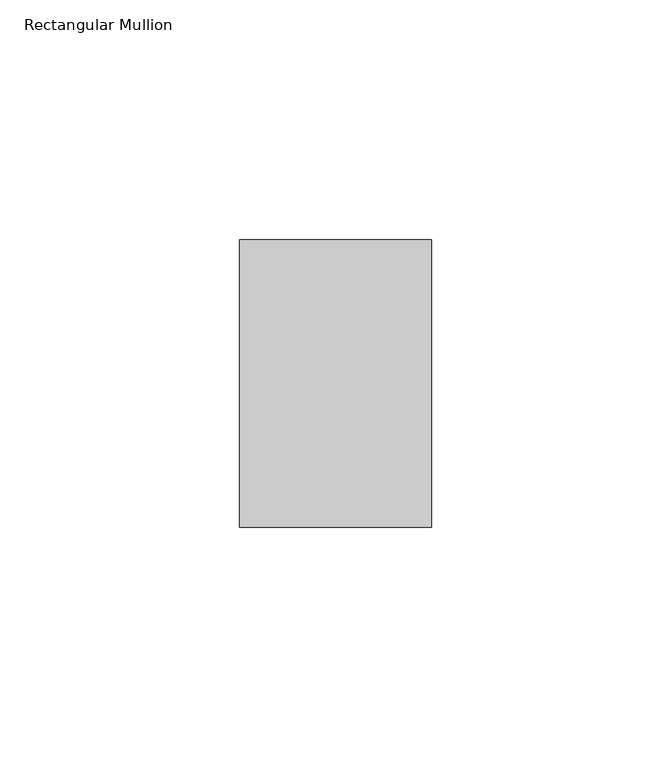
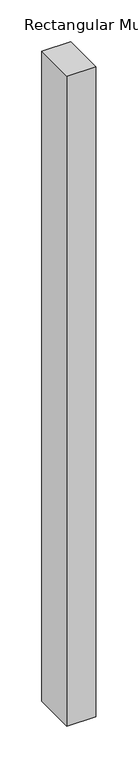
"""IFC4 building model written with IfcOpenShell, lengths in millimetres: member geometry, Rectangular Mullion."""

from ifc_helpers import new_model, si_unit, frame, origin, place, context, project, spatial, polyline, outline, extrude, source, transform, mapped, element, save


def rectangular_mullion_1700ad5a(model_context):
    return source(origin(), model_context, "Body", "SweptSolid", [
        extrude(outline(polyline([(20.0, 65.0), (20.0, 5.0), (-20.0, 5.0), (-20.0, 65.0), (20.0, 65.0)])), frame((0.0, 0.0, -950.0), z_axis=(0.0, 0.0, 1.0), x_axis=(1.0, 0.0, 0.0)), (0.0, 0.0, 1.0), 950.0),
    ])


if __name__ == "__main__":
    model = new_model("IFC4")
    model_context = context("Model", 3, world=origin())
    ifc_project = project(units=[si_unit("LENGTHUNIT", "METRE", prefix="MILLI")], contexts=[model_context])
    site = spatial("IfcSite", under=ifc_project)
    building = spatial("IfcBuilding", under=site)
    placement = place(None, origin())
    rectangular_mullion_shape = rectangular_mullion_1700ad5a(model_context)
    element("IfcMember", 1, ObjectType="Rectangular Mullion", at=placement, inside=building, context=model_context, shape_type="MappedRepresentation", body=[
        mapped(rectangular_mullion_shape, transform((0.0, 0.0, 0.0), x_axis=(1.0, 0.0, 0.0), y_axis=(0.0, 1.0, 0.0), z_axis=(0.0, 0.0, 1.0))),
    ])
    save(model, "model.ifc")
